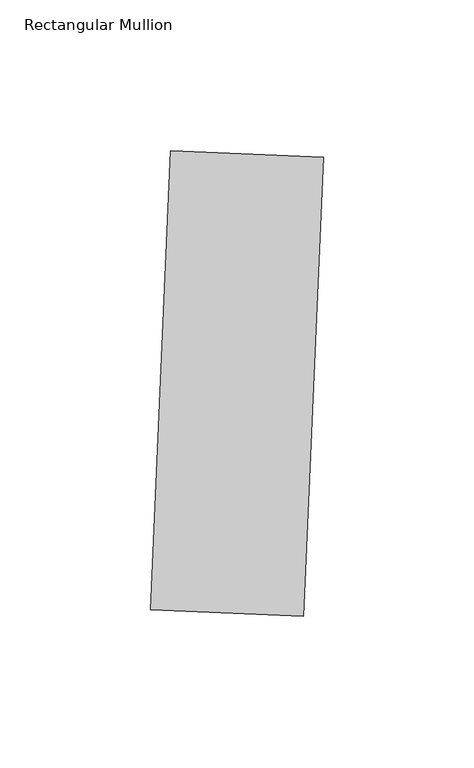
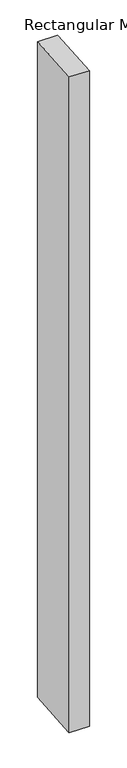
"""IFC4 building model written with IfcOpenShell, lengths in millimetres: member geometry, Rectangular Mullion."""

import ifcopenshell
import ifcopenshell.guid

model = None  # the IFC model being written
_history = None  # IfcOwnerHistory: only IFC2X3 demands one
_inside = {}  # id of a spatial element -> (the spatial element, [elements in it])
_under = {}  # id of a project, library or spatial element -> (it, [spatial elements below it])
_declared = {}  # id of a project -> (the project, [libraries it declares])
_typed = {}  # id of a type object -> (the type object, [elements of that type])
_made_of = {}  # id of a material, layer set ... -> (it, [elements and type objects made of it])


def new_model(schema):
    """Start an empty IFC model of exactly this schema.

    Asked for "IFC4X3", IfcOpenShell would pick the latest addendum, in which some entities
    have other attributes; the version numbers below select the first issue.
    IFC2X3 requires an IfcOwnerHistory on every rooted entity: one is made here for all.
    """
    global model, _history
    if schema == "IFC4X3":
        model = ifcopenshell.file(schema_version=(4, 3, 0, 0))
    else:
        model = ifcopenshell.file(schema=schema)
    _inside.clear()
    _under.clear()
    _declared.clear()
    _typed.clear()
    _made_of.clear()
    _history = None
    if model.schema == "IFC2X3":
        org = make("IfcOrganization", Name="unknown")
        user = make(
            "IfcPersonAndOrganization",
            ThePerson=make("IfcPerson", FamilyName="unknown"),
            TheOrganization=org,
        )
        app = make(
            "IfcApplication",
            ApplicationDeveloper=org,
            Version="unknown",
            ApplicationFullName="unknown",
            ApplicationIdentifier="unknown",
        )
        _history = make(
            "IfcOwnerHistory",
            OwningUser=user,
            OwningApplication=app,
            ChangeAction="ADDED",
            CreationDate=0,
        )
    return model


def make(cls, **values):
    """One entity of the class cls with the attributes given. An attribute that is None is left unset."""
    return model.create_entity(
        cls, **{name: value for name, value in values.items() if value is not None}
    )


def rooted(cls, **values):
    """An entity with a GlobalId (a new one), such as an element, a storey or a relation."""
    return make(cls, GlobalId=ifcopenshell.guid.new(), OwnerHistory=_history, **values)


def si_unit(unit_type, name, prefix=None):
    """IfcSIUnit, for example si_unit("LENGTHUNIT", "METRE", prefix="MILLI")."""
    return make("IfcSIUnit", UnitType=unit_type, Prefix=prefix, Name=name)


def assignment(units):
    """IfcUnitAssignment: the units of a project."""
    return None if units is None else make("IfcUnitAssignment", Units=units)


def point(xyz):
    """IfcCartesianPoint."""
    return None if xyz is None else make("IfcCartesianPoint", Coordinates=xyz)


def direction(xyz):
    """IfcDirection."""
    return None if xyz is None else make("IfcDirection", DirectionRatios=xyz)


def frame(location, z_axis=None, x_axis=None):
    """IfcAxis2Placement3D, a coordinate frame: its origin and axes. An axis left out is left unset."""
    return make(
        "IfcAxis2Placement3D",
        Location=point(location),
        Axis=direction(z_axis),
        RefDirection=direction(x_axis),
    )


def origin():
    """The frame at (0, 0, 0) with its axes left unset."""
    return frame((0.0, 0.0, 0.0))


def place(relative_to, where):
    """IfcLocalPlacement: puts the frame where relative to a parent placement (None: the world)."""
    return make(
        "IfcLocalPlacement", PlacementRelTo=relative_to, RelativePlacement=where
    )


def context(
    kind, dimensions, precision=None, world=None, true_north=None, identifier=None
):
    """IfcGeometricRepresentationContext, for example the 3D "Model" context."""
    return make(
        "IfcGeometricRepresentationContext",
        ContextIdentifier=identifier,
        ContextType=kind,
        CoordinateSpaceDimension=dimensions,
        Precision=precision,
        WorldCoordinateSystem=world,
        TrueNorth=true_north,
    )


def project(units=None, contexts=None):
    """IfcProject with its units and contexts."""
    return rooted(
        "IfcProject",
        Name="project",
        RepresentationContexts=contexts,
        UnitsInContext=assignment(units),
    )


def spatial(cls, under=None, at=None, **own):
    """A site, building, storey or space (cls), placed at a placement, below another one or the project."""
    s = rooted(cls, ObjectPlacement=at, **own)
    if under is not None:
        _under.setdefault(under.id(), (under, []))[1].append(s)
    return s


def polyline(points):
    """IfcPolyline through the points."""
    return make("IfcPolyline", Points=[point(p) for p in points])


def outline(outer, holes=None, kind="AREA"):
    """IfcArbitraryClosedProfileDef: a profile drawn as a closed curve; with holes, ...WithVoids."""
    if holes is None:
        return make("IfcArbitraryClosedProfileDef", ProfileType=kind, OuterCurve=outer)
    return make(
        "IfcArbitraryProfileDefWithVoids",
        ProfileType=kind,
        OuterCurve=outer,
        InnerCurves=holes,
    )


def extrude(swept, where, along, depth):
    """IfcExtrudedAreaSolid: the profile swept, set in the frame where, extruded along a direction by depth."""
    return make(
        "IfcExtrudedAreaSolid",
        SweptArea=swept,
        Position=where,
        ExtrudedDirection=direction(along),
        Depth=depth,
    )


def shape(context_of_items, identifier, shape_type, items):
    """IfcShapeRepresentation: the items that make up one representation, for example the "Body"."""
    return make(
        "IfcShapeRepresentation",
        ContextOfItems=context_of_items,
        RepresentationIdentifier=identifier,
        RepresentationType=shape_type,
        Items=items,
    )


def source(mapping_origin, context_of_items, identifier, shape_type, items):
    """IfcRepresentationMap: a shape defined once, which mapped items show again and again."""
    return make(
        "IfcRepresentationMap",
        MappingOrigin=mapping_origin,
        MappedRepresentation=shape(context_of_items, identifier, shape_type, items),
    )


def transform(
    local_origin,
    x_axis=None,
    y_axis=None,
    z_axis=None,
    scale=None,
    scale2=None,
    scale3=None,
    uniform=True,
):
    """IfcCartesianTransformationOperator3D, or its non-uniform kind. x_axis, y_axis, z_axis: its Axis1, 2, 3."""
    if uniform:
        return make(
            "IfcCartesianTransformationOperator3D",
            Axis1=direction(x_axis),
            Axis2=direction(y_axis),
            LocalOrigin=point(local_origin),
            Scale=scale,
            Axis3=direction(z_axis),
        )
    return make(
        "IfcCartesianTransformationOperator3DnonUniform",
        Axis1=direction(x_axis),
        Axis2=direction(y_axis),
        LocalOrigin=point(local_origin),
        Scale=scale,
        Axis3=direction(z_axis),
        Scale2=scale2,
        Scale3=scale3,
    )


def mapped(mapping_source, mapping_target):
    """IfcMappedItem: shows the shape of a source again, moved by a transform."""
    return make(
        "IfcMappedItem", MappingSource=mapping_source, MappingTarget=mapping_target
    )


def made_of(thing, what):
    """Note that an element or type object is made of a material, layer set ...; save() writes the relation."""
    if what is not None:
        _made_of.setdefault(what.id(), (what, []))[1].append(thing)
    return thing


def element(
    cls,
    number,
    at=None,
    inside=None,
    cuts=None,
    type_object=None,
    material=None,
    context=None,
    identifier="Body",
    shape_type=None,
    held_by="IfcProductDefinitionShape",
    body=None,
    shapes=None,
    **own,
):
    """One element of the class cls, such as IfcWall. Its Tag is "e" and its number.

    at: its placement. inside: the storey or other place that contains it. cuts: it is an
    opening in that element (IfcRelVoidsElement). A single representation is given by context,
    identifier, shape_type and body (its items); several are given by shapes. held_by: the class
    of the entity that holds the representations. save() writes the other relations.
    """
    e = rooted(cls, Tag="e%d" % number, ObjectPlacement=at, **own)
    if body is not None:
        shapes = [shape(context, identifier, shape_type, body)]
    if shapes is not None:
        e.Representation = make(held_by, Representations=shapes)
    if inside is not None:
        _inside.setdefault(inside.id(), (inside, []))[1].append(e)
    if cuts is not None:
        rooted(
            "IfcRelVoidsElement", RelatingBuildingElement=cuts, RelatedOpeningElement=e
        )
    if type_object is not None:
        _typed.setdefault(type_object.id(), (type_object, []))[1].append(e)
    return made_of(e, material)


def aggregate(whole, parts):
    """IfcRelAggregates: a whole, such as a stair, and the parts it consists of."""
    return rooted("IfcRelAggregates", RelatingObject=whole, RelatedObjects=parts)


def save(model, path):
    """Write the relations noted so far, then the file.

    IfcRelAggregates (storeys below a building ...), IfcRelContainedInSpatialStructure (elements
    in a storey), IfcRelDefinesByType, IfcRelAssociatesMaterial and IfcRelDeclares: one each for
    every whole, place, type object, material and project.
    """
    for whole, parts in _under.values():
        aggregate(whole, parts)
    for where, things in _inside.values():
        rooted(
            "IfcRelContainedInSpatialStructure",
            RelatedElements=things,
            RelatingStructure=where,
        )
    for kind, things in _typed.values():
        rooted("IfcRelDefinesByType", RelatedObjects=things, RelatingType=kind)
    for what, things in _made_of.values():
        rooted("IfcRelAssociatesMaterial", RelatedObjects=things, RelatingMaterial=what)
    for by, libraries in _declared.values():
        rooted("IfcRelDeclares", RelatingContext=by, RelatedDefinitions=libraries)
    model.write(path)


def rectangular_mullion_39dbe690(model_context):
    return source(origin(), model_context, "Body", "SweptSolid", [
        extrude(outline(polyline([(19.9746542, -124.8150785), (-30.7769955, -122.5992136), (-24.1294008, 29.6557354), (26.6222488, 27.4398705), (19.9746542, -124.8150785)])), frame((0.0, 0.0, -1765.3), z_axis=(0.0, 0.0, 1.0), x_axis=(1.0, 0.0, 0.0)), (0.0, 0.0, 1.0), 1765.3),
    ])


if __name__ == "__main__":
    model = new_model("IFC4")
    model_context = context("Model", 3, world=origin())
    ifc_project = project(units=[si_unit("LENGTHUNIT", "METRE", prefix="MILLI")], contexts=[model_context])
    site = spatial("IfcSite", under=ifc_project)
    building = spatial("IfcBuilding", under=site)
    placement = place(None, origin())
    rectangular_mullion_shape = rectangular_mullion_39dbe690(model_context)
    element("IfcMember", 1, ObjectType="Rectangular Mullion", at=placement, inside=building, context=model_context, shape_type="MappedRepresentation", body=[
        mapped(rectangular_mullion_shape, transform((0.0, 0.0, 0.0), x_axis=(1.0, 0.0, 0.0), y_axis=(0.0, 1.0, 0.0), z_axis=(0.0, 0.0, 1.0))),
    ])
    save(model, "model.ifc")
